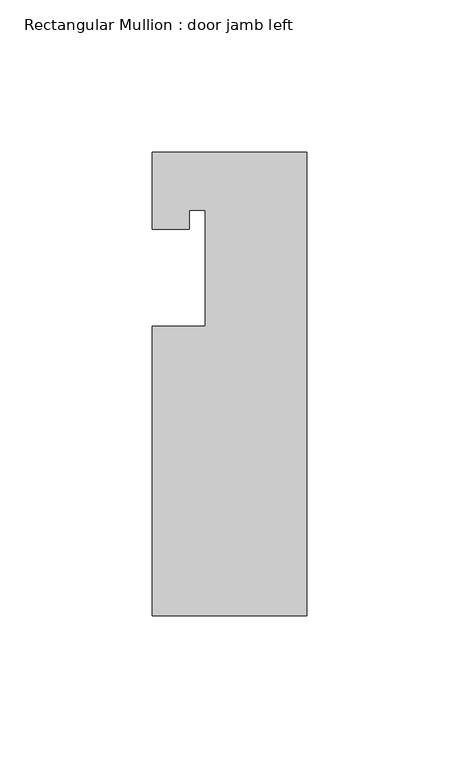
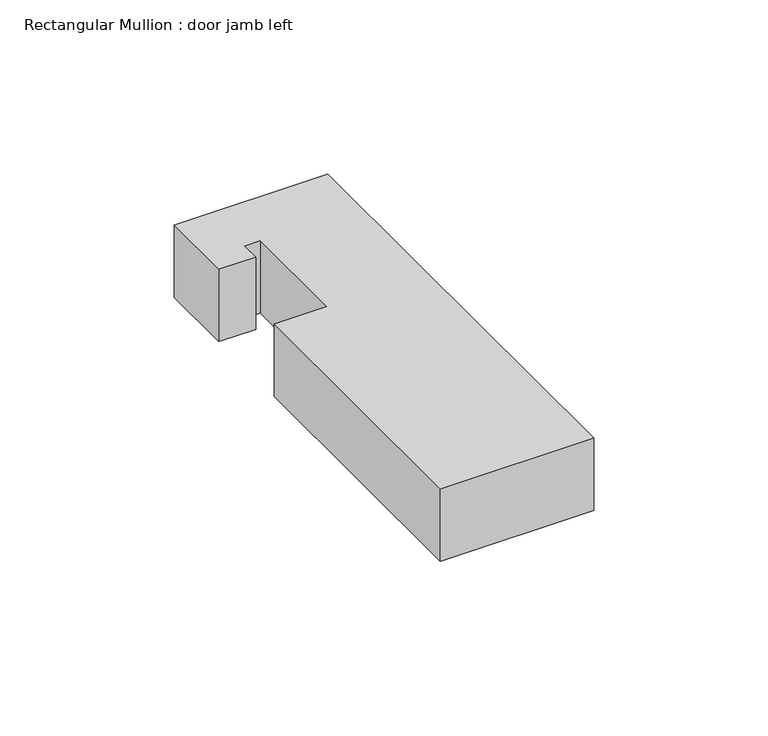
"""IFC4 building model written with IfcOpenShell, lengths in millimetres: member geometry, Rectangular Mullion : door jamb left."""

from ifc_helpers import new_model, si_unit, frame, origin, place, context, project, spatial, polyline, outline, extrude, source, transform, mapped, element, save


def rectangular_mullion_door_jamb_left_eca29fc6(model_context):
    return source(origin(), model_context, "Body", "SweptSolid", [
        extrude(outline(polyline([(-25.4, -146.05), (-25.4, -50.8), (-7.9502, -50.8), (-7.9502, -12.7), (-13.208, -12.7), (-13.208, -19.05), (-25.4, -19.05), (-25.4, 6.35), (25.4, 6.35), (25.4, -45.8947778), (25.4, -146.05), (-25.4, -146.05)])), frame((0.0, 0.0, -25.4), z_axis=(0.0, 0.0, 1.0), x_axis=(1.0, 0.0, 0.0)), (0.0, 0.0, 1.0), 25.4),
    ])


if __name__ == "__main__":
    model = new_model("IFC4")
    model_context = context("Model", 3, world=origin())
    ifc_project = project(units=[si_unit("LENGTHUNIT", "METRE", prefix="MILLI")], contexts=[model_context])
    site = spatial("IfcSite", under=ifc_project)
    building = spatial("IfcBuilding", under=site)
    placement = place(None, origin())
    rectangular_mullion_door_jamb_left_shape = rectangular_mullion_door_jamb_left_eca29fc6(model_context)
    element("IfcMember", 1, ObjectType="Rectangular Mullion : door jamb left", at=placement, inside=building, context=model_context, shape_type="MappedRepresentation", body=[
        mapped(rectangular_mullion_door_jamb_left_shape, transform((0.0, 0.0, 0.0), x_axis=(1.0, 0.0, 0.0), y_axis=(0.0, 1.0, 0.0), z_axis=(0.0, 0.0, 1.0))),
    ])
    save(model, "model.ifc")
